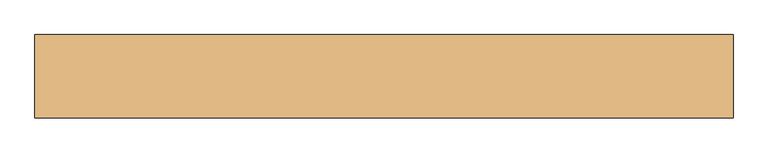
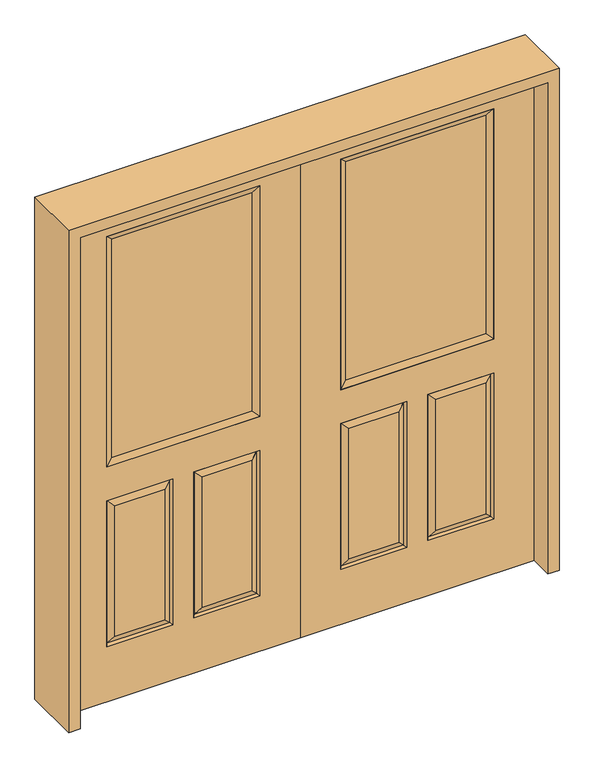
"""IFC4 building model written with IfcOpenShell, lengths in millimetres: door geometry."""

from ifc_helpers import new_model, si_unit, frame, origin, place, context, project, spatial, polyline, outline, extrude, faceted_brep, source, transform, mapped, element, save


def door_f38d0679(model_context):
    return source(origin(), model_context, "Body", "SolidModel", [
        faceted_brep([(0.0, -22.225, 0.0), (0.0, -22.225, 2032.0), (-914.4, -22.225, 2032.0), (-914.4, -22.225, 0.0), (-157.861, -22.225, 971.55), (-756.539, -22.225, 971.55), (-756.539, -22.225, 1925.574), (-157.861, -22.225, 1925.574), (-157.861, -22.225, 831.85), (-157.861, -22.225, 228.6), (-415.925, -22.225, 228.6), (-415.925, -22.225, 831.85), (-498.475, -22.225, 831.85), (-498.475, -22.225, 228.6), (-756.539, -22.225, 228.6), (-756.539, -22.225, 831.85), (-384.175, -22.225, 800.1), (-384.175, -22.225, 260.35), (-189.611, -22.225, 260.35), (-189.611, -22.225, 800.1), (-724.789, -22.225, 800.1), (-724.789, -22.225, 260.35), (-530.225, -22.225, 260.35), (-530.225, -22.225, 800.1), (-914.4, 22.225, 0.0), (0.0, 22.225, 0.0), (-914.4, 22.225, 2032.0), (0.0, 22.225, 2032.0), (-157.861, 22.225, 1925.574), (-157.861, 22.225, 971.55), (-756.539, 22.225, 971.55), (-756.539, 22.225, 1925.574), (-415.925, 22.225, 831.85), (-415.925, 22.225, 228.6), (-157.861, 22.225, 228.6), (-157.861, 22.225, 831.85), (-756.539, 22.225, 831.85), (-756.539, 22.225, 228.6), (-498.475, 22.225, 228.6), (-498.475, 22.225, 831.85), (-189.611, 22.225, 800.1), (-189.611, 22.225, 260.35), (-384.175, 22.225, 260.35), (-384.175, 22.225, 800.1), (-530.225, 22.225, 800.1), (-530.225, 22.225, 260.35), (-724.789, 22.225, 260.35), (-724.789, 22.225, 800.1), (-165.00475, -12.7449236, 824.70625), (-408.78125, -12.7449236, 824.70625), (-165.00475, -12.7449236, 235.74375), (-408.78125, -12.7449236, 235.74375), (-749.39525, -12.7449236, 824.70625), (-505.61875, -12.7449236, 824.70625), (-505.61875, -12.7449236, 235.74375), (-749.39525, -12.7449236, 235.74375), (-165.00475, 12.7449236, 824.70625), (-408.78125, 12.7449236, 824.70625), (-408.78125, 12.7449236, 235.74375), (-165.00475, 12.7449236, 235.74375), (-749.39525, 12.7449236, 824.70625), (-505.61875, 12.7449236, 824.70625), (-749.39525, 12.7449236, 235.74375), (-505.61875, 12.7449236, 235.74375)], [[[0, 1, 2, 3], [4, 5, 6, 7], [8, 9, 10, 11], [12, 13, 14, 15]], [[16, 17, 18, 19]], [[20, 21, 22, 23]], [[3, 24, 25, 0]], [[2, 26, 24, 3]], [[0, 25, 27, 1]], [[7, 28, 29, 4]], [[5, 30, 31, 6]], [[4, 29, 30, 5]], [[25, 24, 26, 27], [29, 28, 31, 30], [32, 33, 34, 35], [36, 37, 38, 39]], [[40, 41, 42, 43]], [[44, 45, 46, 47]], [[1, 27, 26, 2]], [[6, 31, 28, 7]], [[16, 19, 48, 49]], [[19, 18, 50, 48]], [[51, 50, 18, 17]], [[49, 51, 17, 16]], [[48, 8, 11, 49]], [[11, 10, 51, 49]], [[10, 9, 50, 51]], [[48, 50, 9, 8]], [[52, 20, 23, 53]], [[23, 22, 54, 53]], [[22, 21, 55, 54]], [[52, 55, 21, 20]], [[53, 12, 15, 52]], [[15, 14, 55, 52]], [[54, 55, 14, 13]], [[53, 54, 13, 12]], [[56, 40, 43, 57]], [[43, 42, 58, 57]], [[42, 41, 59, 58]], [[56, 59, 41, 40]], [[57, 32, 35, 56]], [[35, 34, 59, 56]], [[58, 59, 34, 33]], [[57, 58, 33, 32]], [[44, 47, 60, 61]], [[47, 46, 62, 60]], [[63, 62, 46, 45]], [[61, 63, 45, 44]], [[60, 36, 39, 61]], [[39, 38, 63, 61]], [[38, 37, 62, 63]], [[60, 62, 37, 36]]]),
        extrude(outline(polyline([(-731.139, -12.7), (-731.139, 12.7), (-183.261, 12.7), (-183.261, -12.7), (-731.139, -12.7)])), frame((0.0, 0.0, 996.95), z_axis=(0.0, 0.0, 1.0), x_axis=(1.0, 0.0, 0.0)), (0.0, 0.0, 1.0), 903.224),
        faceted_brep([(-157.861, -22.225, 1925.574), (-157.861, -22.225, 971.55), (-157.861, 22.225, 971.55), (-157.861, 22.225, 1925.574), (-756.539, -22.225, 971.55), (-756.539, 22.225, 971.55), (-731.139, 12.7, 996.95), (-183.261, 12.7, 996.95), (-756.539, -22.225, 1925.574), (-756.539, 22.225, 1925.574), (-183.261, -12.7, 996.95), (-731.139, -12.7, 996.95), (-183.261, -12.7, 1900.174), (-731.139, -12.7, 1900.174), (-183.261, 12.7, 1900.174), (-731.139, 12.7, 1900.174)], [[[0, 1, 2, 3]], [[1, 4, 5, 2]], [[2, 5, 6, 7]], [[4, 8, 9, 5]], [[10, 11, 4, 1]], [[12, 10, 1, 0]], [[11, 13, 8, 4]], [[7, 6, 11, 10]], [[14, 7, 10, 12]], [[6, 15, 13, 11]], [[3, 2, 7, 14]], [[5, 9, 15, 6]], [[8, 0, 3, 9]], [[13, 12, 0, 8]], [[15, 14, 12, 13]], [[9, 3, 14, 15]]]),
        faceted_brep([(0.0, -22.225, 0.0), (914.4, -22.225, 0.0), (914.4, -22.225, 2032.0), (0.0, -22.225, 2032.0), (157.861, -22.225, 971.55), (157.861, -22.225, 1925.574), (756.539, -22.225, 1925.574), (756.539, -22.225, 971.55), (157.861, -22.225, 831.85), (415.925, -22.225, 831.85), (415.925, -22.225, 228.6), (157.861, -22.225, 228.6), (498.475, -22.225, 831.85), (756.539, -22.225, 831.85), (756.539, -22.225, 228.6), (498.475, -22.225, 228.6), (384.175, -22.225, 800.1), (189.611, -22.225, 800.1), (189.611, -22.225, 260.35), (384.175, -22.225, 260.35), (724.789, -22.225, 800.1), (530.225, -22.225, 800.1), (530.225, -22.225, 260.35), (724.789, -22.225, 260.35), (0.0, 22.225, 0.0), (914.4, 22.225, 0.0), (914.4, 22.225, 2032.0), (0.0, 22.225, 2032.0), (157.861, 22.225, 971.55), (157.861, 22.225, 1925.574), (756.539, 22.225, 1925.574), (756.539, 22.225, 971.55), (415.925, 22.225, 831.85), (157.861, 22.225, 831.85), (157.861, 22.225, 228.6), (415.925, 22.225, 228.6), (756.539, 22.225, 831.85), (498.475, 22.225, 831.85), (498.475, 22.225, 228.6), (756.539, 22.225, 228.6), (189.611, 22.225, 800.1), (384.175, 22.225, 800.1), (384.175, 22.225, 260.35), (189.611, 22.225, 260.35), (530.225, 22.225, 800.1), (724.789, 22.225, 800.1), (724.789, 22.225, 260.35), (530.225, 22.225, 260.35), (408.78125, -12.7449236, 824.70625), (165.00475, -12.7449236, 824.70625), (165.00475, -12.7449236, 235.74375), (408.78125, -12.7449236, 235.74375), (749.39525, -12.7449236, 824.70625), (505.61875, -12.7449236, 824.70625), (505.61875, -12.7449236, 235.74375), (749.39525, -12.7449236, 235.74375), (165.00475, 12.7449236, 824.70625), (408.78125, 12.7449236, 824.70625), (408.78125, 12.7449236, 235.74375), (165.00475, 12.7449236, 235.74375), (505.61875, 12.7449236, 824.70625), (749.39525, 12.7449236, 824.70625), (749.39525, 12.7449236, 235.74375), (505.61875, 12.7449236, 235.74375)], [[[0, 1, 2, 3], [4, 5, 6, 7], [8, 9, 10, 11], [12, 13, 14, 15]], [[16, 17, 18, 19]], [[20, 21, 22, 23]], [[1, 0, 24, 25]], [[2, 1, 25, 26]], [[0, 3, 27, 24]], [[5, 4, 28, 29]], [[7, 6, 30, 31]], [[4, 7, 31, 28]], [[24, 27, 26, 25], [28, 31, 30, 29], [32, 33, 34, 35], [36, 37, 38, 39]], [[40, 41, 42, 43]], [[44, 45, 46, 47]], [[3, 2, 26, 27]], [[6, 5, 29, 30]], [[16, 48, 49, 17]], [[17, 49, 50, 18]], [[51, 19, 18, 50]], [[48, 16, 19, 51]], [[49, 48, 9, 8]], [[9, 48, 51, 10]], [[10, 51, 50, 11]], [[49, 8, 11, 50]], [[52, 53, 21, 20]], [[21, 53, 54, 22]], [[22, 54, 55, 23]], [[52, 20, 23, 55]], [[53, 52, 13, 12]], [[13, 52, 55, 14]], [[54, 15, 14, 55]], [[53, 12, 15, 54]], [[56, 57, 41, 40]], [[41, 57, 58, 42]], [[42, 58, 59, 43]], [[56, 40, 43, 59]], [[57, 56, 33, 32]], [[33, 56, 59, 34]], [[58, 35, 34, 59]], [[57, 32, 35, 58]], [[44, 60, 61, 45]], [[45, 61, 62, 46]], [[63, 47, 46, 62]], [[60, 44, 47, 63]], [[61, 60, 37, 36]], [[37, 60, 63, 38]], [[38, 63, 62, 39]], [[61, 36, 39, 62]]]),
        extrude(outline(polyline([(731.139, -12.7), (183.261, -12.7), (183.261, 12.7), (731.139, 12.7), (731.139, -12.7)])), frame((0.0, 0.0, 996.95), z_axis=(0.0, 0.0, 1.0), x_axis=(1.0, 0.0, 0.0)), (0.0, 0.0, 1.0), 903.224),
        faceted_brep([(157.861, -22.225, 1925.574), (157.861, 22.225, 1925.574), (157.861, 22.225, 971.55), (157.861, -22.225, 971.55), (756.539, 22.225, 971.55), (756.539, -22.225, 971.55), (183.261, 12.7, 996.95), (731.139, 12.7, 996.95), (756.539, 22.225, 1925.574), (756.539, -22.225, 1925.574), (183.261, -12.7, 996.95), (731.139, -12.7, 996.95), (183.261, -12.7, 1900.174), (731.139, -12.7, 1900.174), (183.261, 12.7, 1900.174), (731.139, 12.7, 1900.174)], [[[0, 1, 2, 3]], [[3, 2, 4, 5]], [[2, 6, 7, 4]], [[5, 4, 8, 9]], [[10, 3, 5, 11]], [[12, 0, 3, 10]], [[11, 5, 9, 13]], [[6, 10, 11, 7]], [[14, 12, 10, 6]], [[7, 11, 13, 15]], [[1, 14, 6, 2]], [[4, 7, 15, 8]], [[9, 8, 1, 0]], [[13, 9, 0, 12]], [[15, 13, 12, 14]], [[8, 15, 14, 1]]]),
        extrude(outline(polyline([(0.0, -958.85), (0.0, -914.4), (2032.0, -914.4), (2032.0, 914.4), (0.0, 914.4), (0.0, 958.85), (2076.45, 958.85), (2076.45, -958.85), (0.0, -958.85)])), frame((0.0, -114.3, 0.0), z_axis=(0.0, 1.0, 0.0), x_axis=(0.0, 0.0, 1.0)), (0.0, 0.0, 1.0), 228.6),
    ])


if __name__ == "__main__":
    model = new_model("IFC4")
    model_context = context("Model", 3, world=origin())
    ifc_project = project(units=[si_unit("LENGTHUNIT", "METRE", prefix="MILLI")], contexts=[model_context])
    site = spatial("IfcSite", under=ifc_project)
    building = spatial("IfcBuilding", under=site)
    placement = place(None, origin())
    door_shape = door_f38d0679(model_context)
    element("IfcDoor", 1, at=placement, inside=building, context=model_context, shape_type="MappedRepresentation", body=[
        mapped(door_shape, transform((0.0, 0.0, 0.0), x_axis=(1.0, 0.0, 0.0), y_axis=(0.0, 1.0, 0.0), z_axis=(0.0, 0.0, 1.0))),
    ])
    save(model, "model.ifc")
